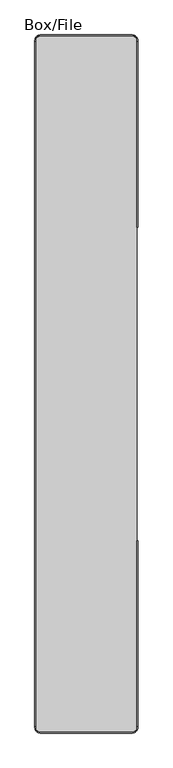
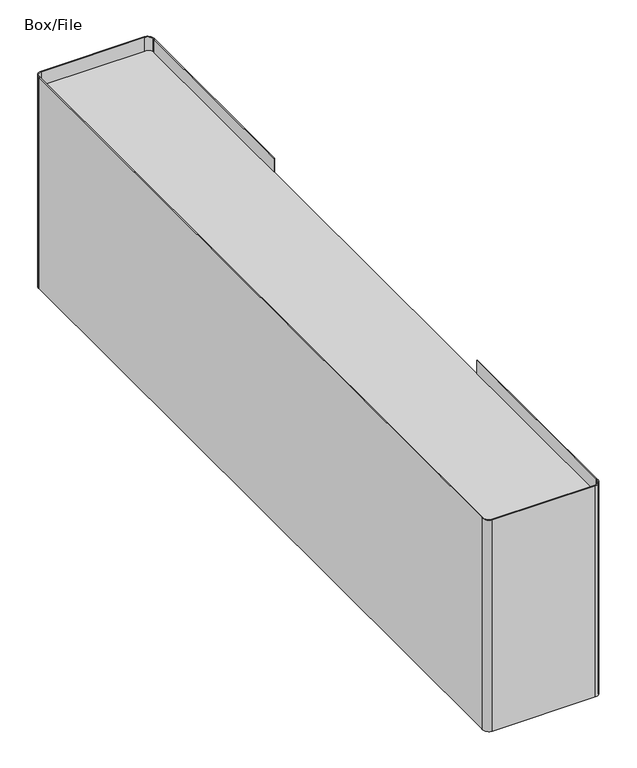
"""IFC4 building model written with IfcOpenShell, lengths in millimetres: furniture geometry, Box/File."""

from ifc_helpers import new_model, si_unit, point, frame, frame_2d, origin, place, context, project, spatial, polyline, circle_curve, trimmed, segment, composite_curve, outline, extrude, source, transform, mapped, element, save


def box_file_2d31cb64(model_context):
    return source(origin(), model_context, "Body", "SweptSolid", [
        extrude(outline(polyline([(-118.26875, 688.975), (-116.68125, 688.975), (-116.68125, -879.475), (-118.26875, -879.475), (-118.26875, 688.975)])), frame((0.0, 0.0, 284.48), z_axis=(0.0, 0.0, 1.0), x_axis=(1.0, 0.0, 0.0)), (0.0, 0.0, 1.0), 456.9089567),
        extrude(outline(polyline([(118.26875, 688.975), (118.26875, 264.277149), (116.68125, 264.277149), (116.68125, 688.975), (118.26875, 688.975)])), frame((0.0, 0.0, 284.48), z_axis=(0.0, 0.0, 1.0), x_axis=(1.0, 0.0, 0.0)), (0.0, 0.0, 1.0), 456.9089567),
        extrude(outline(polyline([(118.26875, -879.475), (116.68125, -879.475), (116.68125, -454.777149), (118.26875, -454.777149), (118.26875, -879.475)])), frame((0.0, 0.0, 284.48), z_axis=(0.0, 0.0, 1.0), x_axis=(1.0, 0.0, 0.0)), (0.0, 0.0, 1.0), 456.9089567),
        extrude(outline(polyline([(116.68125, -456.1369879), (-116.68125, -456.1369879), (-116.68125, -454.777149), (116.68125, -454.777149), (116.68125, -456.1369879)])), frame((0.0, 0.0, 300.4566082), z_axis=(0.0, 0.0, 1.0), x_axis=(1.0, 0.0, 0.0)), (0.0, 0.0, 1.0), 402.1510686),
        extrude(outline(polyline([(116.68125, 265.6369879), (-116.68125, 265.6369879), (-116.68125, 268.2423526), (116.68125, 268.2423526), (116.68125, 265.6369879)])), frame((0.0, 0.0, 300.4566082), z_axis=(0.0, 0.0, 1.0), x_axis=(1.0, 0.0, 0.0)), (0.0, 0.0, 1.0), 402.1510686),
        extrude(outline(composite_curve([segment(polyline([(105.56875, -893.7625), (-105.56875, -893.7625)]), True, "CONTINUOUS"), segment(trimmed(circle_curve(frame_2d((-105.56875, -882.65)), 11.1125), [point((-105.56875, -893.7625))], [point((-116.68125, -882.65))], False, "CARTESIAN"), True, "CONTINUOUS"), segment(polyline([(-116.68125, -882.65), (-116.68125, 690.5625)]), True, "CONTINUOUS"), segment(trimmed(circle_curve(frame_2d((-105.56875, 690.5625)), 11.1125), [point((-116.68125, 690.5625))], [point((-105.56875, 701.675))], False, "CARTESIAN"), True, "CONTINUOUS"), segment(polyline([(-105.56875, 701.675), (105.56875, 701.675)]), True, "CONTINUOUS"), segment(trimmed(circle_curve(frame_2d((105.56875, 690.5625)), 11.1125), [point((105.56875, 701.675))], [point((116.68125, 690.5625))], False, "CARTESIAN"), True, "CONTINUOUS"), segment(polyline([(116.68125, 690.5625), (116.68125, -882.65)]), True, "CONTINUOUS"), segment(trimmed(circle_curve(frame_2d((105.56875, -882.65)), 11.1125), [point((116.68125, -882.65))], [point((105.56875, -893.7625))], False, "CARTESIAN"), True, "CONTINUOUS")], self_intersect=False)), frame((0.0, 0.0, 696.7981828), z_axis=(0.0, 0.0, 1.0), x_axis=(1.0, 0.0, 0.0)), (0.0, 0.0, 1.0), 16.0874916),
        extrude(outline(composite_curve([segment(polyline([(105.56875, -893.7625), (-105.56875, -893.7625)]), True, "CONTINUOUS"), segment(trimmed(circle_curve(frame_2d((-105.56875, -882.65)), 11.1125), [point((-105.56875, -893.7625))], [point((-116.68125, -882.65))], False, "CARTESIAN"), True, "CONTINUOUS"), segment(polyline([(-116.68125, -882.65), (-116.68125, 690.5625)]), True, "CONTINUOUS"), segment(trimmed(circle_curve(frame_2d((-105.56875, 690.5625)), 11.1125), [point((-116.68125, 690.5625))], [point((-105.56875, 701.675))], False, "CARTESIAN"), True, "CONTINUOUS"), segment(polyline([(-105.56875, 701.675), (105.56875, 701.675)]), True, "CONTINUOUS"), segment(trimmed(circle_curve(frame_2d((105.56875, 690.5625)), 11.1125), [point((105.56875, 701.675))], [point((116.68125, 690.5625))], False, "CARTESIAN"), True, "CONTINUOUS"), segment(polyline([(116.68125, 690.5625), (116.68125, -882.65)]), True, "CONTINUOUS"), segment(trimmed(circle_curve(frame_2d((105.56875, -882.65)), 11.1125), [point((116.68125, -882.65))], [point((105.56875, -893.7625))], False, "CARTESIAN"), True, "CONTINUOUS")], self_intersect=False)), frame((0.0, 0.0, 493.5212933), z_axis=(0.0, 0.0, 1.0), x_axis=(1.0, 0.0, 0.0)), (0.0, 0.0, 1.0), 12.7756344),
        extrude(outline(composite_curve([segment(polyline([(105.56875, -895.35), (-105.56875, -895.35)]), True, "CONTINUOUS"), segment(trimmed(circle_curve(frame_2d((-105.56875, -882.65)), 12.7), [point((-105.56875, -895.35))], [point((-118.26875, -882.65))], False, "CARTESIAN"), True, "CONTINUOUS"), segment(polyline([(-118.26875, -882.65), (-118.26875, -881.0625), (-116.68125, -881.0625), (-116.68125, -882.65)]), True, "CONTINUOUS"), segment(trimmed(circle_curve(frame_2d((-105.56875, -882.65)), 11.1125), [point((-116.68125, -882.65))], [point((-105.56875, -893.7625))], True, "CARTESIAN"), True, "CONTINUOUS"), segment(polyline([(-105.56875, -893.7625), (105.56875, -893.7625)]), True, "CONTINUOUS"), segment(trimmed(circle_curve(frame_2d((105.56875, -882.65)), 11.1125), [point((105.56875, -893.7625))], [point((116.68125, -882.65))], True, "CARTESIAN"), True, "CONTINUOUS"), segment(polyline([(116.68125, -882.65), (116.68125, -881.3782772), (118.26875, -881.3782772), (118.26875, -882.65)]), True, "CONTINUOUS"), segment(trimmed(circle_curve(frame_2d((105.56875, -882.65)), 12.7), [point((118.26875, -882.65))], [point((105.56875, -895.35))], False, "CARTESIAN"), True, "CONTINUOUS")], self_intersect=False)), frame((0.0, 0.0, 284.48), z_axis=(0.0, 0.0, 1.0), x_axis=(1.0, 0.0, 0.0)), (0.0, 0.0, 1.0), 456.9089567),
        extrude(outline(composite_curve([segment(trimmed(circle_curve(frame_2d((105.56875, 692.15)), 12.7), [point((105.56875, 704.85))], [point((118.26875, 692.15))], False, "CARTESIAN"), True, "CONTINUOUS"), segment(polyline([(118.26875, 692.15), (118.26875, 690.8782772), (116.68125, 690.8782772), (116.68125, 692.15)]), True, "CONTINUOUS"), segment(trimmed(circle_curve(frame_2d((105.56875, 692.15)), 11.1125), [point((116.68125, 692.15))], [point((105.56875, 703.2625))], True, "CARTESIAN"), True, "CONTINUOUS"), segment(polyline([(105.56875, 703.2625), (-105.56875, 703.2625)]), True, "CONTINUOUS"), segment(trimmed(circle_curve(frame_2d((-105.56875, 692.15)), 11.1125), [point((-105.56875, 703.2625))], [point((-116.68125, 692.15))], True, "CARTESIAN"), True, "CONTINUOUS"), segment(polyline([(-116.68125, 692.15), (-116.68125, 690.5625), (-118.26875, 690.5625), (-118.26875, 692.15)]), True, "CONTINUOUS"), segment(trimmed(circle_curve(frame_2d((-105.56875, 692.15)), 12.7), [point((-118.26875, 692.15))], [point((-105.56875, 704.85))], False, "CARTESIAN"), True, "CONTINUOUS"), segment(polyline([(-105.56875, 704.85), (105.56875, 704.85)]), True, "CONTINUOUS")], self_intersect=False)), frame((0.0, 0.0, 284.48), z_axis=(0.0, 0.0, 1.0), x_axis=(1.0, 0.0, 0.0)), (0.0, 0.0, 1.0), 456.9089567),
        extrude(outline(composite_curve([segment(polyline([(105.56875, -893.7625), (-105.56875, -893.7625)]), True, "CONTINUOUS"), segment(trimmed(circle_curve(frame_2d((-105.56875, -882.65)), 11.1125), [point((-105.56875, -893.7625))], [point((-116.68125, -882.65))], False, "CARTESIAN"), True, "CONTINUOUS"), segment(polyline([(-116.68125, -882.65), (-116.68125, 690.5625)]), True, "CONTINUOUS"), segment(trimmed(circle_curve(frame_2d((-105.56875, 690.5625)), 11.1125), [point((-116.68125, 690.5625))], [point((-105.56875, 701.675))], False, "CARTESIAN"), True, "CONTINUOUS"), segment(polyline([(-105.56875, 701.675), (105.56875, 701.675)]), True, "CONTINUOUS"), segment(trimmed(circle_curve(frame_2d((105.56875, 690.5625)), 11.1125), [point((105.56875, 701.675))], [point((116.68125, 690.5625))], False, "CARTESIAN"), True, "CONTINUOUS"), segment(polyline([(116.68125, 690.5625), (116.68125, -882.65)]), True, "CONTINUOUS"), segment(trimmed(circle_curve(frame_2d((105.56875, -882.65)), 11.1125), [point((116.68125, -882.65))], [point((105.56875, -893.7625))], False, "CARTESIAN"), True, "CONTINUOUS")], self_intersect=False)), frame((0.0, 0.0, 284.48), z_axis=(0.0, 0.0, 1.0), x_axis=(1.0, 0.0, 0.0)), (0.0, 0.0, 1.0), 15.9766082),
    ])


if __name__ == "__main__":
    model = new_model("IFC4")
    model_context = context("Model", 3, world=origin())
    ifc_project = project(units=[si_unit("LENGTHUNIT", "METRE", prefix="MILLI")], contexts=[model_context])
    site = spatial("IfcSite", under=ifc_project)
    building = spatial("IfcBuilding", under=site)
    placement = place(None, origin())
    box_file_shape = box_file_2d31cb64(model_context)
    element("IfcFurniture", 1, ObjectType="Box/File", at=placement, inside=building, context=model_context, shape_type="MappedRepresentation", body=[
        mapped(box_file_shape, transform((0.0, 0.0, 0.0), x_axis=(1.0, 0.0, 0.0), y_axis=(0.0, 1.0, 0.0), z_axis=(0.0, 0.0, 1.0))),
    ])
    save(model, "model.ifc")
